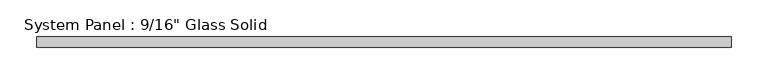
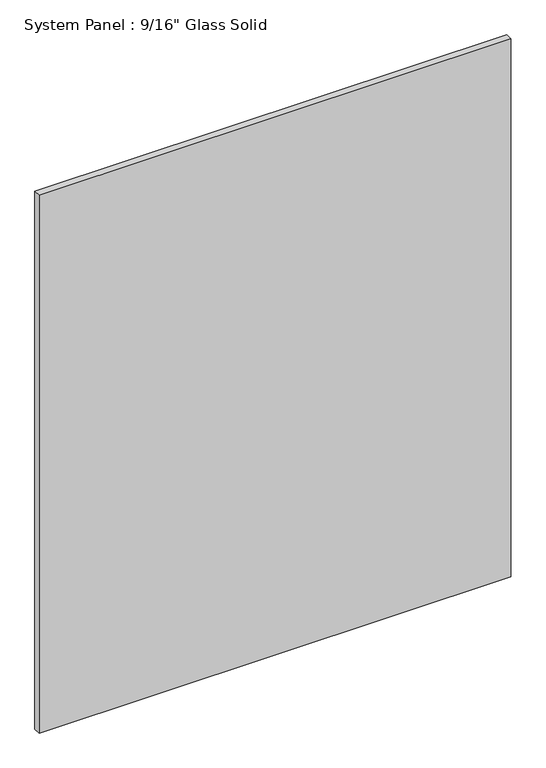
"""IFC4 building model written with IfcOpenShell, lengths in millimetres: plate geometry."""

from ifc_helpers import new_model, si_unit, origin, origin_with_axes, place, context, project, spatial, polyline, outline, extrude, source, transform, mapped, element, save


def plate_64e2068f(model_context):
    return source(origin(), model_context, "Body", "SweptSolid", [
        extrude(outline(polyline([(473.6555865, -7.14375), (-473.6555865, -7.14375), (-473.6555865, 7.14375), (473.6555865, 7.14375), (473.6555865, -7.14375)])), origin_with_axes(), (0.0, 0.0, 1.0), 1141.8441382),
    ])


if __name__ == "__main__":
    model = new_model("IFC4")
    model_context = context("Model", 3, world=origin())
    ifc_project = project(units=[si_unit("LENGTHUNIT", "METRE", prefix="MILLI")], contexts=[model_context])
    site = spatial("IfcSite", under=ifc_project)
    building = spatial("IfcBuilding", under=site)
    placement = place(None, origin())
    plate_shape = plate_64e2068f(model_context)
    element("IfcPlate", 1, ObjectType="System Panel : 9/16\" Glass Solid", at=placement, inside=building, context=model_context, shape_type="MappedRepresentation", body=[
        mapped(plate_shape, transform((0.0, 0.0, 0.0), x_axis=(1.0, 0.0, 0.0), y_axis=(0.0, 1.0, 0.0), z_axis=(0.0, 0.0, 1.0))),
    ])
    save(model, "model.ifc")
